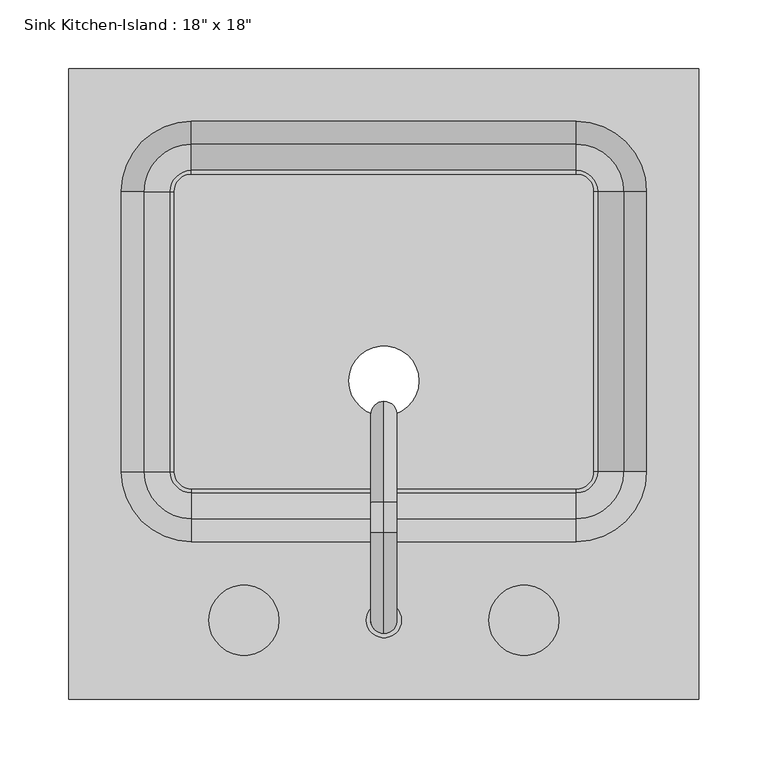
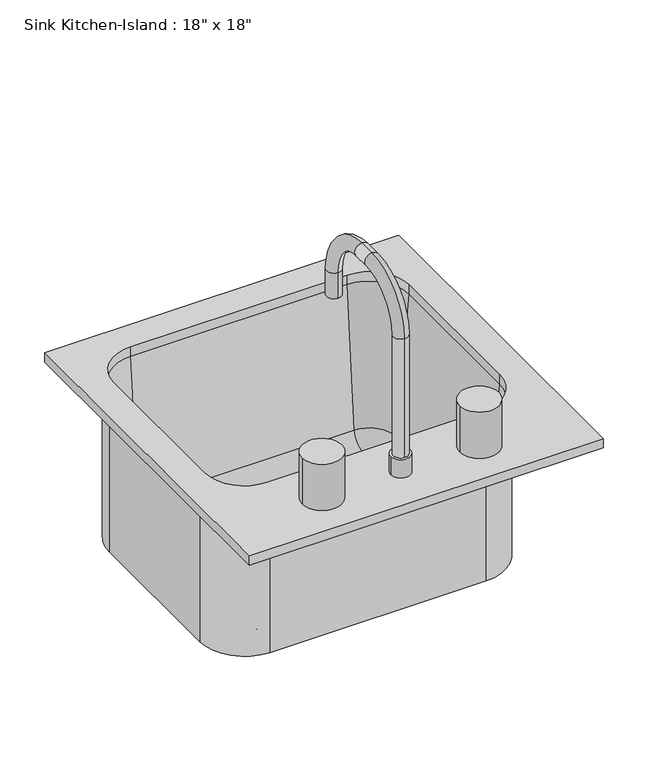
"""IFC4 building model written with IfcOpenShell, lengths in millimetres: flow terminal geometry."""

from ifc_helpers import new_model, si_unit, point, frame, frame_2d, origin, place, context, project, spatial, polyline, circle_curve, ellipse_curve, trimmed, segment, composite_curve, outline, extrude, source, transform, mapped, element, save
from ifc_brep_helpers import plane_surface, cylinder_surface, revolved_surface, advanced_brep


def flow_terminal_41332a36(model_context):
    return source(origin(), model_context, "Body", "SolidModel", [
        advanced_brep(
        [(244.2892406, -230.9454011, 927.1), (244.2892406, 226.2545989, 927.1), (-212.9107594, 226.2545989, 927.1), (-212.9107594, -230.9454011, 927.1), (155.3892406, -116.6454011, 927.1), (-124.0107594, -116.6454011, 927.1), (-174.8107594, -65.8454011, 927.1), (-174.8107594, 137.3545989, 927.1), (-124.0107594, 188.1545989, 927.1), (155.3892406, 188.1545989, 927.1), (206.1892406, 137.3545989, 927.1), (206.1892406, -65.8454011, 927.1), (244.2892406, -230.9454011, 914.4), (-212.9107594, -230.9454011, 914.4), (-212.9107594, 226.2545989, 914.4), (244.2892406, 226.2545989, 914.4), (212.5392406, -65.8454011, 914.4), (212.5392406, 137.3545989, 914.4), (155.3892406, 194.5045989, 914.4), (-124.0107594, 194.5045989, 914.4), (-181.1607594, 137.3545989, 914.4), (-181.1607594, -65.8454011, 914.4), (-124.0107594, -122.9954011, 914.4), (155.3892406, -122.9954011, 914.4), (206.1892406, -65.8454011, 914.4), (155.3892406, -116.6454011, 914.4), (206.1892406, 137.3545989, 914.4), (155.3892406, 188.1545989, 914.4), (-124.0107594, 188.1545989, 914.4), (-174.8107594, 137.3545989, 914.4), (-174.8107594, -65.8454011, 914.4), (-124.0107594, -116.6454011, 914.4), (212.5392406, -65.8454011, 698.5), (155.3892406, -122.9954011, 698.5), (155.3892406, -78.5454011, 698.5), (168.0892406, -65.8454011, 698.5), (155.3892406, -78.5454011, 708.025), (168.0892406, -65.8454011, 708.025), (155.3892406, -81.1338193, 708.025), (170.6776588, -65.8454011, 708.025), (155.3892406, -100.1113283, 725.4146831), (189.6551678, -65.8454011, 725.4146831), (212.5392406, 137.3545989, 698.5), (168.0892406, 137.3545989, 698.5), (168.0892406, 137.3545989, 708.025), (170.6776588, 137.3545989, 708.025), (189.6551678, 137.3545989, 725.4146831), (155.3892406, 194.5045989, 698.5), (155.3892406, 150.0545989, 698.5), (155.3892406, 150.0545989, 708.025), (155.3892406, 152.6430171, 708.025), (155.3892406, 171.6205261, 725.4146831), (-124.0107594, 194.5045989, 698.5), (-124.0107594, 150.0545989, 698.5), (-124.0107594, 150.0545989, 708.025), (-124.0107594, 152.6430171, 708.025), (-124.0107594, 171.6205261, 725.4146831), (-181.1607594, 137.3545989, 698.5), (-136.7107594, 137.3545989, 698.5), (-136.7107594, 137.3545989, 708.025), (-139.2991776, 137.3545989, 708.025), (-158.2766866, 137.3545989, 725.4146831), (-181.1607594, -65.8454011, 698.5), (-136.7107594, -65.8454011, 698.5), (-136.7107594, -65.8454011, 708.025), (-139.2991776, -65.8454011, 708.025), (-158.2766866, -65.8454011, 725.4146831), (-124.0107594, -122.9954011, 698.5), (-124.0107594, -78.5454011, 698.5), (-124.0107594, -78.5454011, 708.025), (-124.0107594, -81.1338193, 708.025), (-124.0107594, -100.1113283, 725.4146831)],
        [
            (0, 1),
            (1, 2),
            (2, 3),
            (3, 0),
            (4, 5),
            (5, 6, circle_curve(frame((-124.0107594, -65.8454011, 927.1), z_axis=(0.0, 0.0, -1.0), x_axis=(1.0, 0.0, 0.0)), 50.8)),
            (6, 7),
            (7, 8, circle_curve(frame((-124.0107594, 137.3545989, 927.1), z_axis=(0.0, 0.0, -1.0), x_axis=(1.0, 0.0, 0.0)), 50.8)),
            (8, 9),
            (9, 10, circle_curve(frame((155.3892406, 137.3545989, 927.1), z_axis=(0.0, 0.0, -1.0), x_axis=(1.0, 0.0, 0.0)), 50.8)),
            (10, 11),
            (11, 4, circle_curve(frame((155.3892406, -65.8454011, 927.1), z_axis=(0.0, 0.0, -1.0), x_axis=(1.0, 0.0, 0.0)), 50.8)),
            (12, 13),
            (13, 14),
            (14, 15),
            (15, 12),
            (16, 17),
            (17, 18, circle_curve(frame((155.3892406, 137.3545989, 914.4), z_axis=(0.0, 0.0, 1.0), x_axis=(1.0, 0.0, 0.0)), 57.15)),
            (18, 19),
            (19, 20, circle_curve(frame((-124.0107594, 137.3545989, 914.4), z_axis=(0.0, 0.0, 1.0), x_axis=(0.0, 1.0, 0.0)), 57.15)),
            (20, 21),
            (21, 22, circle_curve(frame((-124.0107594, -65.8454011, 914.4), z_axis=(0.0, 0.0, 1.0), x_axis=(-1.0, 0.0, 0.0)), 57.15)),
            (22, 23),
            (23, 16, circle_curve(frame((155.3892406, -65.8454011, 914.4), z_axis=(0.0, 0.0, 1.0), x_axis=(0.0, -1.0, 0.0)), 57.15)),
            (3, 13),
            (12, 0),
            (2, 14),
            (1, 15),
            (11, 24),
            (24, 25, circle_curve(frame((155.3892406, -65.8454011, 914.4), z_axis=(0.0, 0.0, -1.0), x_axis=(1.0, 0.0, 0.0)), 50.8)),
            (25, 4),
            (10, 26),
            (26, 24),
            (9, 27),
            (27, 26, circle_curve(frame((155.3892406, 137.3545989, 914.4), z_axis=(0.0, 0.0, -1.0), x_axis=(1.0, 0.0, 0.0)), 50.8)),
            (8, 28),
            (28, 27),
            (7, 29),
            (29, 28, circle_curve(frame((-124.0107594, 137.3545989, 914.4), z_axis=(0.0, 0.0, -1.0), x_axis=(1.0, 0.0, 0.0)), 50.8)),
            (6, 30),
            (30, 29),
            (5, 31),
            (31, 30, circle_curve(frame((-124.0107594, -65.8454011, 914.4), z_axis=(0.0, 0.0, -1.0), x_axis=(1.0, 0.0, 0.0)), 50.8)),
            (25, 31),
            (32, 16),
            (23, 33),
            (33, 32, circle_curve(frame((155.3892406, -65.8454011, 698.5), z_axis=(0.0, 0.0, 1.0), x_axis=(0.0, -1.0, 0.0)), 57.15)),
            (33, 34),
            (34, 35, circle_curve(frame((155.3892406, -65.8454011, 698.5), z_axis=(0.0, 0.0, 1.0), x_axis=(0.0, -1.0, 0.0)), 12.7)),
            (35, 32),
            (34, 36),
            (36, 37, circle_curve(frame((155.3892406, -65.8454011, 708.025), z_axis=(0.0, 0.0, 1.0), x_axis=(0.0, -1.0, 0.0)), 12.7)),
            (37, 35),
            (36, 38),
            (38, 39, circle_curve(frame((155.3892406, -65.8454011, 708.025), z_axis=(0.0, 0.0, 1.0), x_axis=(0.0, -1.0, 0.0)), 15.2884182)),
            (39, 37),
            (38, 40, circle_curve(frame((155.3892406, -81.1338193, 727.075), z_axis=(-1.0, 0.0, 0.0), x_axis=(0.0, -1.0, 0.0)), 19.05)),
            (40, 41, circle_curve(frame((155.3892406, -65.8454011, 725.4146831), z_axis=(0.0, 0.0, 1.0), x_axis=(0.0, -1.0, 0.0)), 34.2659272)),
            (41, 39, circle_curve(frame((170.6776588, -65.8454011, 727.075), z_axis=(0.0, 1.0, 0.0), x_axis=(1.0, 0.0, 0.0)), 19.05)),
            (40, 25),
            (24, 41),
            (32, 42),
            (42, 17),
            (35, 43),
            (43, 42),
            (37, 44),
            (44, 43),
            (39, 45),
            (45, 44),
            (41, 46),
            (46, 45, circle_curve(frame((170.6776588, 137.3545989, 727.075), z_axis=(0.0, 1.0, 0.0), x_axis=(1.0, 0.0, 0.0)), 19.05)),
            (26, 46),
            (42, 47, circle_curve(frame((155.3892406, 137.3545989, 698.5), z_axis=(0.0, 0.0, 1.0), x_axis=(1.0, 0.0, 0.0)), 57.15)),
            (47, 18),
            (43, 48, circle_curve(frame((155.3892406, 137.3545989, 698.5), z_axis=(0.0, 0.0, 1.0), x_axis=(1.0, 0.0, 0.0)), 12.7)),
            (48, 47),
            (44, 49, circle_curve(frame((155.3892406, 137.3545989, 708.025), z_axis=(0.0, 0.0, 1.0), x_axis=(1.0, 0.0, 0.0)), 12.7)),
            (49, 48),
            (45, 50, circle_curve(frame((155.3892406, 137.3545989, 708.025), z_axis=(0.0, 0.0, 1.0), x_axis=(1.0, 0.0, 0.0)), 15.2884182)),
            (50, 49),
            (46, 51, circle_curve(frame((155.3892406, 137.3545989, 725.4146831), z_axis=(0.0, 0.0, 1.0), x_axis=(1.0, 0.0, 0.0)), 34.2659272)),
            (51, 50, circle_curve(frame((155.3892406, 152.6430171, 727.075), z_axis=(-1.0, 0.0, 0.0), x_axis=(0.0, 1.0, 0.0)), 19.05)),
            (27, 51),
            (47, 52),
            (52, 19),
            (48, 53),
            (53, 52),
            (49, 54),
            (54, 53),
            (50, 55),
            (55, 54),
            (51, 56),
            (56, 55, circle_curve(frame((-124.0107594, 152.6430171, 727.075), z_axis=(-1.0, 0.0, 0.0), x_axis=(0.0, 1.0, 0.0)), 19.05)),
            (28, 56),
            (52, 57, circle_curve(frame((-124.0107594, 137.3545989, 698.5), z_axis=(0.0, 0.0, 1.0), x_axis=(0.0, 1.0, 0.0)), 57.15)),
            (57, 20),
            (53, 58, circle_curve(frame((-124.0107594, 137.3545989, 698.5), z_axis=(0.0, 0.0, 1.0), x_axis=(0.0, 1.0, 0.0)), 12.7)),
            (58, 57),
            (54, 59, circle_curve(frame((-124.0107594, 137.3545989, 708.025), z_axis=(0.0, 0.0, 1.0), x_axis=(0.0, 1.0, 0.0)), 12.7)),
            (59, 58),
            (55, 60, circle_curve(frame((-124.0107594, 137.3545989, 708.025), z_axis=(0.0, 0.0, 1.0), x_axis=(0.0, 1.0, 0.0)), 15.2884182)),
            (60, 59),
            (56, 61, circle_curve(frame((-124.0107594, 137.3545989, 725.4146831), z_axis=(0.0, 0.0, 1.0), x_axis=(0.0, 1.0, 0.0)), 34.2659272)),
            (61, 60, circle_curve(frame((-139.2991776, 137.3545989, 727.075), z_axis=(0.0, -1.0, 0.0), x_axis=(-1.0, 0.0, 0.0)), 19.05)),
            (29, 61),
            (57, 62),
            (62, 21),
            (58, 63),
            (63, 62),
            (59, 64),
            (64, 63),
            (60, 65),
            (65, 64),
            (61, 66),
            (66, 65, circle_curve(frame((-139.2991776, -65.8454011, 727.075), z_axis=(0.0, -1.0, 0.0), x_axis=(-1.0, 0.0, 0.0)), 19.05)),
            (30, 66),
            (62, 67, circle_curve(frame((-124.0107594, -65.8454011, 698.5), z_axis=(0.0, 0.0, 1.0), x_axis=(-1.0, 0.0, 0.0)), 57.15)),
            (67, 22),
            (63, 68, circle_curve(frame((-124.0107594, -65.8454011, 698.5), z_axis=(0.0, 0.0, 1.0), x_axis=(-1.0, 0.0, 0.0)), 12.7)),
            (68, 67),
            (64, 69, circle_curve(frame((-124.0107594, -65.8454011, 708.025), z_axis=(0.0, 0.0, 1.0), x_axis=(-1.0, 0.0, 0.0)), 12.7)),
            (69, 68),
            (65, 70, circle_curve(frame((-124.0107594, -65.8454011, 708.025), z_axis=(0.0, 0.0, 1.0), x_axis=(-1.0, 0.0, 0.0)), 15.2884182)),
            (70, 69),
            (66, 71, circle_curve(frame((-124.0107594, -65.8454011, 725.4146831), z_axis=(0.0, 0.0, 1.0), x_axis=(-1.0, 0.0, 0.0)), 34.2659272)),
            (71, 70, circle_curve(frame((-124.0107594, -81.1338193, 727.075), z_axis=(1.0, 0.0, 0.0), x_axis=(0.0, -1.0, 0.0)), 19.05)),
            (31, 71),
            (67, 33),
            (68, 34),
            (69, 36),
            (70, 38),
            (71, 40),
        ],
        [
            plane_surface(frame((-212.9107594, -230.9454011, 927.1), z_axis=(0.0, 0.0, 1.0), x_axis=(-1.0, 0.0, 0.0))),
            plane_surface(frame((-212.9107594, -230.9454011, 914.4), z_axis=(0.0, 0.0, -1.0), x_axis=(1.0, 0.0, 0.0))),
            plane_surface(frame((244.2892406, -230.9454011, 927.1), z_axis=(0.0, -1.0, 0.0), x_axis=(0.0, 0.0, -1.0))),
            plane_surface(frame((-212.9107594, -230.9454011, 927.1), z_axis=(-1.0, 0.0, 0.0), x_axis=(0.0, 0.0, -1.0))),
            plane_surface(frame((-212.9107594, 226.2545989, 927.1), z_axis=(0.0, 1.0, 0.0), x_axis=(0.0, 0.0, -1.0))),
            plane_surface(frame((244.2892406, 226.2545989, 927.1), z_axis=(1.0, 0.0, 0.0), x_axis=(0.0, 0.0, -1.0))),
            revolved_surface(polyline([(206.1892406, -65.8454011, 914.4), (206.1892406, -65.8454011, 927.1)]), (155.3892406, -65.8454011, 0.0), (0.0, 0.0, -1.0)),
            plane_surface(frame((206.1892406, -65.8454011, 927.1), z_axis=(-1.0, 0.0, 0.0), x_axis=(0.0, 0.0, -1.0))),
            revolved_surface(polyline([(206.1892406, 137.3545989, 914.4), (206.1892406, 137.3545989, 927.1)]), (155.3892406, 137.3545989, 0.0), (0.0, 0.0, -1.0)),
            plane_surface(frame((155.3892406, 188.1545989, 927.1), z_axis=(0.0, -1.0, 0.0), x_axis=(0.0, 0.0, -1.0))),
            revolved_surface(polyline([(-73.2107594, 137.3545989, 914.4), (-73.2107594, 137.3545989, 927.1)]), (-124.0107594, 137.3545989, 0.0), (0.0, 0.0, -1.0)),
            plane_surface(frame((-174.8107594, 137.3545989, 927.1), z_axis=(1.0, 0.0, 0.0), x_axis=(0.0, 0.0, -1.0))),
            revolved_surface(polyline([(-73.2107594, -65.8454011, 914.4), (-73.2107594, -65.8454011, 927.1)]), (-124.0107594, -65.8454011, 0.0), (0.0, 0.0, -1.0)),
            plane_surface(frame((-124.0107594, -116.6454011, 927.1), z_axis=(0.0, 1.0, 0.0), x_axis=(0.0, 0.0, -1.0))),
            cylinder_surface(frame((155.3892406, -65.8454011, 0.0), z_axis=(0.0, 0.0, -1.0), x_axis=(0.0, -1.0, 0.0)), 57.15),
            plane_surface(frame((155.3892406, -65.8454011, 698.5), z_axis=(0.0, 0.0, -1.0), x_axis=(0.0, -1.0, 0.0))),
            revolved_surface(polyline([(155.3892406, -78.5454011, 698.5), (155.3892406, -78.5454011, 708.025)]), (155.3892406, -65.8454011, 0.0), (0.0, 0.0, -1.0)),
            plane_surface(frame((155.3892406, -65.8454011, 708.025), z_axis=(0.0, 0.0, 1.0), x_axis=(0.0, -1.0, 0.0))),
            revolved_surface(trimmed(ellipse_curve(frame((155.3892406, -81.1338193, 727.075), z_axis=(-1.0, 0.0, 0.0), x_axis=(0.0, -1.0, 0.0)), 19.05, 19.05), [point((155.3892406, -81.1338193, 708.025))], [point((155.3892406, -100.1113283, 725.4146831))], True, "CARTESIAN"), (155.3892406, -65.8454011, 0.0), (0.0, 0.0, -1.0)),
            revolved_surface(polyline([(155.3892406, -100.1113283, 725.4146831), (155.3892406, -116.6454011, 914.4)]), (155.3892406, -65.8454011, 0.0), (0.0, 0.0, -1.0)),
            plane_surface(frame((212.5392406, -65.8454011, 914.4), z_axis=(1.0, 0.0, 0.0), x_axis=(0.0, 1.0, 0.0))),
            plane_surface(frame((212.5392406, -65.8454011, 698.5), z_axis=(0.0, 0.0, -1.0), x_axis=(0.0, 1.0, 0.0))),
            plane_surface(frame((168.0892406, -65.8454011, 698.5), z_axis=(-1.0, 0.0, 0.0), x_axis=(0.0, 1.0, 0.0))),
            plane_surface(frame((168.0892406, -65.8454011, 708.025), z_axis=(0.0, 0.0, 1.0), x_axis=(0.0, 1.0, 0.0))),
            revolved_surface(polyline([(189.7276588, 137.3545989, 727.075), (189.7276588, -65.8454011, 727.075)]), (170.6776588, -65.8454011, 727.075), (0.0, 1.0, 0.0)),
            plane_surface(frame((189.6551678, -65.8454011, 725.4146831), z_axis=(-0.9961946980917443, 0.0, 0.08715574274767254), x_axis=(0.0, 1.0, 0.0))),
            cylinder_surface(frame((155.3892406, 137.3545989, 0.0), z_axis=(0.0, 0.0, -1.0), x_axis=(1.0, 0.0, 0.0)), 57.15),
            plane_surface(frame((155.3892406, 137.3545989, 698.5), z_axis=(0.0, 0.0, -1.0), x_axis=(1.0, 0.0, 0.0))),
            revolved_surface(polyline([(168.08924059999998, 137.3545989, 698.5), (168.08924059999998, 137.3545989, 708.025)]), (155.3892406, 137.3545989, 0.0), (0.0, 0.0, -1.0)),
            plane_surface(frame((155.3892406, 137.3545989, 708.025), z_axis=(0.0, 0.0, 1.0), x_axis=(1.0, 0.0, 0.0))),
            revolved_surface(trimmed(ellipse_curve(frame((170.6776588, 137.3545989, 727.075), z_axis=(0.0, -1.0, 0.0), x_axis=(1.0, 0.0, 0.0)), 19.05, 19.05), [point((170.6776588, 137.3545989, 708.025))], [point((189.6551678, 137.3545989, 725.4146831))], True, "CARTESIAN"), (155.3892406, 137.3545989, 0.0), (0.0, 0.0, -1.0)),
            revolved_surface(polyline([(189.6551678, 137.3545989, 725.4146831), (206.1892406, 137.3545989, 914.4)]), (155.3892406, 137.3545989, 0.0), (0.0, 0.0, -1.0)),
            plane_surface(frame((155.3892406, 194.5045989, 914.4), z_axis=(0.0, 1.0, 0.0), x_axis=(-1.0, 0.0, 0.0))),
            plane_surface(frame((155.3892406, 194.5045989, 698.5), z_axis=(0.0, 0.0, -1.0), x_axis=(-1.0, 0.0, 0.0))),
            plane_surface(frame((155.3892406, 150.0545989, 698.5), z_axis=(0.0, -1.0, 0.0), x_axis=(-1.0, 0.0, 0.0))),
            plane_surface(frame((155.3892406, 150.0545989, 708.025), z_axis=(0.0, 0.0, 1.0), x_axis=(-1.0, 0.0, 0.0))),
            revolved_surface(polyline([(-124.01075939999998, 171.69301710000002, 727.075), (155.3892406, 171.69301710000002, 727.075)]), (155.3892406, 152.6430171, 727.075), (-1.0, 0.0, 0.0)),
            plane_surface(frame((155.3892406, 171.6205261, 725.4146831), z_axis=(0.0, -0.9961946980917443, 0.08715574274767254), x_axis=(-1.0, 0.0, 0.0))),
            cylinder_surface(frame((-124.0107594, 137.3545989, 0.0), z_axis=(0.0, 0.0, -1.0), x_axis=(0.0, 1.0, 0.0)), 57.15),
            plane_surface(frame((-124.0107594, 137.3545989, 698.5), z_axis=(0.0, 0.0, -1.0), x_axis=(0.0, 1.0, 0.0))),
            revolved_surface(polyline([(-124.0107594, 150.0545989, 698.5), (-124.0107594, 150.0545989, 708.025)]), (-124.0107594, 137.3545989, 0.0), (0.0, 0.0, -1.0)),
            plane_surface(frame((-124.0107594, 137.3545989, 708.025), z_axis=(0.0, 0.0, 1.0), x_axis=(0.0, 1.0, 0.0))),
            revolved_surface(trimmed(ellipse_curve(frame((-124.0107594, 152.6430171, 727.075), z_axis=(1.0, 0.0, 0.0), x_axis=(0.0, 1.0, 0.0)), 19.05, 19.05), [point((-124.0107594, 152.6430171, 708.025))], [point((-124.0107594, 171.6205261, 725.4146831))], True, "CARTESIAN"), (-124.0107594, 137.3545989, 0.0), (0.0, 0.0, -1.0)),
            revolved_surface(polyline([(-124.0107594, 171.6205261, 725.4146831), (-124.0107594, 188.1545989, 914.4)]), (-124.0107594, 137.3545989, 0.0), (0.0, 0.0, -1.0)),
            plane_surface(frame((-181.1607594, 137.3545989, 914.4), z_axis=(-1.0, 0.0, 0.0), x_axis=(0.0, -1.0, 0.0))),
            plane_surface(frame((-181.1607594, 137.3545989, 698.5), z_axis=(0.0, 0.0, -1.0), x_axis=(0.0, -1.0, 0.0))),
            plane_surface(frame((-136.7107594, 137.3545989, 698.5), z_axis=(1.0, 0.0, 0.0), x_axis=(0.0, -1.0, 0.0))),
            plane_surface(frame((-136.7107594, 137.3545989, 708.025), z_axis=(0.0, 0.0, 1.0), x_axis=(0.0, -1.0, 0.0))),
            revolved_surface(polyline([(-158.34917760000002, -65.8454011, 727.075), (-158.34917760000002, 137.3545989, 727.075)]), (-139.2991776, 137.3545989, 727.075), (0.0, -1.0, 0.0)),
            plane_surface(frame((-158.2766866, 137.3545989, 725.4146831), z_axis=(0.9961946980917443, 0.0, 0.08715574274767254), x_axis=(0.0, -1.0, 0.0))),
            cylinder_surface(frame((-124.0107594, -65.8454011, 0.0), z_axis=(0.0, 0.0, -1.0), x_axis=(-1.0, 0.0, 0.0)), 57.15),
            plane_surface(frame((-124.0107594, -65.8454011, 698.5), z_axis=(0.0, 0.0, -1.0), x_axis=(-1.0, 0.0, 0.0))),
            revolved_surface(polyline([(-136.7107594, -65.8454011, 698.5), (-136.7107594, -65.8454011, 708.025)]), (-124.0107594, -65.8454011, 0.0), (0.0, 0.0, -1.0)),
            plane_surface(frame((-124.0107594, -65.8454011, 708.025), z_axis=(0.0, 0.0, 1.0), x_axis=(-1.0, 0.0, 0.0))),
            revolved_surface(trimmed(ellipse_curve(frame((-139.2991776, -65.8454011, 727.075), z_axis=(0.0, 1.0, 0.0), x_axis=(-1.0, 0.0, 0.0)), 19.05, 19.05), [point((-139.2991776, -65.8454011, 708.025))], [point((-158.2766866, -65.8454011, 725.4146831))], True, "CARTESIAN"), (-124.0107594, -65.8454011, 0.0), (0.0, 0.0, -1.0)),
            revolved_surface(polyline([(-158.2766866, -65.8454011, 725.4146831), (-174.8107594, -65.8454011, 914.4)]), (-124.0107594, -65.8454011, 0.0), (0.0, 0.0, -1.0)),
            plane_surface(frame((-124.0107594, -122.9954011, 914.4), z_axis=(0.0, -1.0, 0.0), x_axis=(1.0, 0.0, 0.0))),
            plane_surface(frame((-124.0107594, -122.9954011, 698.5), z_axis=(0.0, 0.0, -1.0), x_axis=(1.0, 0.0, 0.0))),
            plane_surface(frame((-124.0107594, -78.5454011, 698.5), z_axis=(0.0, 1.0, 0.0), x_axis=(1.0, 0.0, 0.0))),
            plane_surface(frame((-124.0107594, -78.5454011, 708.025), z_axis=(0.0, 0.0, 1.0), x_axis=(1.0, 0.0, 0.0))),
            revolved_surface(polyline([(155.3892406, -100.1838193, 727.075), (-124.0107594, -100.1838193, 727.075)]), (-124.0107594, -81.1338193, 727.075), (1.0, 0.0, 0.0)),
            plane_surface(frame((-124.0107594, -100.1113283, 725.4146831), z_axis=(0.0, 0.9961946980917443, 0.08715574274767254), x_axis=(1.0, 0.0, 0.0))),
        ],
        [
            (0, [[1, 2, 3, 4], [5, 6, 7, 8, 9, 10, 11, 12]]),
            (1, [[13, 14, 15, 16], [17, 18, 19, 20, 21, 22, 23, 24]]),
            (2, [[25, -13, 26, -4]]),
            (3, [[27, -14, -25, -3]]),
            (4, [[28, -15, -27, -2]]),
            (5, [[-26, -16, -28, -1]]),
            (6, [[29, 30, 31, -12]]),
            (7, [[32, 33, -29, -11]]),
            (8, [[34, 35, -32, -10]]),
            (9, [[36, 37, -34, -9]]),
            (10, [[38, 39, -36, -8]]),
            (11, [[40, 41, -38, -7]]),
            (12, [[42, 43, -40, -6]]),
            (13, [[-31, 44, -42, -5]]),
            (14, [[45, -24, 46, 47]]),
            (15, [[48, 49, 50, -47]]),
            (16, [[51, 52, 53, -49]]),
            (17, [[54, 55, 56, -52]]),
            (18, [[57, 58, 59, -55]]),
            (19, [[60, -30, 61, -58]]),
            (20, [[62, 63, -17, -45]]),
            (21, [[64, 65, -62, -50]]),
            (22, [[66, 67, -64, -53]]),
            (23, [[68, 69, -66, -56]]),
            (24, [[70, 71, -68, -59]]),
            (25, [[-33, 72, -70, -61]]),
            (26, [[73, 74, -18, -63]]),
            (27, [[75, 76, -73, -65]]),
            (28, [[77, 78, -75, -67]]),
            (29, [[79, 80, -77, -69]]),
            (30, [[81, 82, -79, -71]]),
            (31, [[-35, 83, -81, -72]]),
            (32, [[84, 85, -19, -74]]),
            (33, [[86, 87, -84, -76]]),
            (34, [[88, 89, -86, -78]]),
            (35, [[90, 91, -88, -80]]),
            (36, [[92, 93, -90, -82]]),
            (37, [[-37, 94, -92, -83]]),
            (38, [[95, 96, -20, -85]]),
            (39, [[97, 98, -95, -87]]),
            (40, [[99, 100, -97, -89]]),
            (41, [[101, 102, -99, -91]]),
            (42, [[103, 104, -101, -93]]),
            (43, [[-39, 105, -103, -94]]),
            (44, [[106, 107, -21, -96]]),
            (45, [[108, 109, -106, -98]]),
            (46, [[110, 111, -108, -100]]),
            (47, [[112, 113, -110, -102]]),
            (48, [[114, 115, -112, -104]]),
            (49, [[-41, 116, -114, -105]]),
            (50, [[117, 118, -22, -107]]),
            (51, [[119, 120, -117, -109]]),
            (52, [[121, 122, -119, -111]]),
            (53, [[123, 124, -121, -113]]),
            (54, [[125, 126, -123, -115]]),
            (55, [[-43, 127, -125, -116]]),
            (56, [[-23, -118, 128, -46]]),
            (57, [[-128, -120, 129, -48]]),
            (58, [[-129, -122, 130, -51]]),
            (59, [[-130, -124, 131, -54]]),
            (60, [[-131, -126, 132, -57]]),
            (61, [[-132, -127, -44, -60]]),
        ],
    ),
        advanced_brep(
        [(2.9892406, -173.7954011, 927.1), (28.3892406, -173.7954011, 927.1), (15.6892406, -183.3204011, 1114.425), (15.6892406, -183.3204011, 952.5), (15.6892406, -164.2704011, 952.5), (15.6892406, -164.2704011, 1114.425), (15.6892406, -110.2954011, 1168.4), (15.6892406, -110.2954011, 1187.45), (15.6892406, -88.0704011, 1168.4), (15.6892406, -88.0704011, 1187.45), (15.6892406, -34.0954011, 1114.425), (15.6892406, -15.0454011, 1114.425), (15.6892406, -15.0454011, 1079.5), (15.6892406, -34.0954011, 1079.5), (2.9892406, -173.7954011, 952.5), (28.3892406, -173.7954011, 952.5)],
        [
            (0, 1, circle_curve(frame((15.6892406, -173.7954011, 927.1), z_axis=(0.0, 0.0, -1.0), x_axis=(1.0, 0.0, 0.0)), 12.7)),
            (1, 0, circle_curve(frame((15.6892406, -173.7954011, 927.1), z_axis=(0.0, 0.0, -1.0), x_axis=(1.0, 0.0, 0.0)), 12.7)),
            (2, 3),
            (3, 4, circle_curve(frame((15.6892406, -173.7954011, 952.5), z_axis=(0.0, 0.0, 1.0), x_axis=(0.0, 1.0, 0.0)), 9.525)),
            (4, 5),
            (5, 2, circle_curve(frame((15.6892406, -173.7954011, 1114.425), z_axis=(0.0, 0.0, -1.0), x_axis=(0.0, 1.0, 0.0)), 9.525)),
            (4, 3, circle_curve(frame((15.6892406, -173.7954011, 952.5), z_axis=(0.0, 0.0, 1.0), x_axis=(0.0, 1.0, 0.0)), 9.525)),
            (2, 5, circle_curve(frame((15.6892406, -173.7954011, 1114.425), z_axis=(0.0, 0.0, -1.0), x_axis=(0.0, 1.0, 0.0)), 9.525)),
            (5, 6, circle_curve(frame((15.6892406, -110.2954011, 1114.425), z_axis=(-1.0, 0.0, 0.0), x_axis=(0.0, -1.0, 0.0)), 53.975)),
            (6, 7, circle_curve(frame((15.6892406, -110.2954011, 1177.925), z_axis=(0.0, -1.0, 0.0), x_axis=(0.0, 0.0, -1.0)), 9.525)),
            (7, 2, circle_curve(frame((15.6892406, -110.2954011, 1114.425), z_axis=(1.0, 0.0, 0.0), x_axis=(0.0, -1.0, 0.0)), 73.025)),
            (7, 6, circle_curve(frame((15.6892406, -110.2954011, 1177.925), z_axis=(0.0, -1.0, 0.0), x_axis=(0.0, 0.0, -1.0)), 9.525)),
            (6, 8),
            (8, 9, circle_curve(frame((15.6892406, -88.0704011, 1177.925), z_axis=(0.0, -1.0, 0.0), x_axis=(0.0, 0.0, -1.0)), 9.525)),
            (9, 7),
            (9, 8, circle_curve(frame((15.6892406, -88.0704011, 1177.925), z_axis=(0.0, -1.0, 0.0), x_axis=(0.0, 0.0, -1.0)), 9.525)),
            (8, 10, circle_curve(frame((15.6892406, -88.0704011, 1114.425), z_axis=(-1.0, 0.0, 0.0), x_axis=(0.0, 0.0, 1.0)), 53.975)),
            (10, 11, circle_curve(frame((15.6892406, -24.5704011, 1114.425), z_axis=(0.0, 0.0, 1.0), x_axis=(0.0, -1.0, 0.0)), 9.525)),
            (11, 9, circle_curve(frame((15.6892406, -88.0704011, 1114.425), z_axis=(1.0, 0.0, 0.0), x_axis=(0.0, 0.0, 1.0)), 73.025)),
            (11, 10, circle_curve(frame((15.6892406, -24.5704011, 1114.425), z_axis=(0.0, 0.0, 1.0), x_axis=(0.0, -1.0, 0.0)), 9.525)),
            (12, 13, circle_curve(frame((15.6892406, -24.5704011, 1079.5), z_axis=(0.0, 0.0, -1.0), x_axis=(0.0, -1.0, 0.0)), 9.525)),
            (13, 12, circle_curve(frame((15.6892406, -24.5704011, 1079.5), z_axis=(0.0, 0.0, -1.0), x_axis=(0.0, -1.0, 0.0)), 9.525)),
            (10, 13),
            (12, 11),
            (14, 15, circle_curve(frame((15.6892406, -173.7954011, 952.5), z_axis=(0.0, 0.0, 1.0), x_axis=(1.0, 0.0, 0.0)), 12.7)),
            (15, 14, circle_curve(frame((15.6892406, -173.7954011, 952.5), z_axis=(0.0, 0.0, 1.0), x_axis=(1.0, 0.0, 0.0)), 12.7)),
            (15, 1),
            (0, 14),
        ],
        [
            plane_surface(frame((15.6892406, -164.2704011, 927.1), z_axis=(0.0, 0.0, -1.0), x_axis=(1.0, 0.0, 0.0))),
            cylinder_surface(frame((15.6892406, -173.7954011, 927.1), z_axis=(0.0, 0.0, -1.0), x_axis=(0.0, 1.0, 0.0)), 9.525),
            revolved_surface(trimmed(ellipse_curve(frame((15.6892406, -173.7954011, 1114.425), z_axis=(0.0, 0.0, 1.0), x_axis=(0.0, 1.0, 0.0)), 9.525, 9.525), [point((15.6892406, -183.3204011, 1114.425))], [point((15.6892406, -164.2704011, 1114.425))], True, "CARTESIAN"), (15.6892406, -110.2954011, 1114.425), (1.0, 0.0, 0.0)),
            revolved_surface(trimmed(ellipse_curve(frame((15.6892406, -173.7954011, 1114.425), z_axis=(0.0, 0.0, 1.0), x_axis=(0.0, 1.0, 0.0)), 9.525, 9.525), [point((15.6892406, -164.2704011, 1114.425))], [point((15.6892406, -183.3204011, 1114.425))], True, "CARTESIAN"), (15.6892406, -110.2954011, 1114.425), (1.0, 0.0, 0.0)),
            cylinder_surface(frame((15.6892406, -110.2954011, 1177.925), z_axis=(0.0, -1.0, 0.0), x_axis=(0.0, 0.0, -1.0)), 9.525),
            revolved_surface(trimmed(ellipse_curve(frame((15.6892406, -88.0704011, 1177.925), z_axis=(0.0, 1.0, 0.0), x_axis=(0.0, 0.0, -1.0)), 9.525, 9.525), [point((15.6892406, -88.0704011, 1187.45))], [point((15.6892406, -88.0704011, 1168.4))], True, "CARTESIAN"), (15.6892406, -88.0704011, 1114.425), (1.0, 0.0, 0.0)),
            revolved_surface(trimmed(ellipse_curve(frame((15.6892406, -88.0704011, 1177.925), z_axis=(0.0, 1.0, 0.0), x_axis=(0.0, 0.0, -1.0)), 9.525, 9.525), [point((15.6892406, -88.0704011, 1168.4))], [point((15.6892406, -88.0704011, 1187.45))], True, "CARTESIAN"), (15.6892406, -88.0704011, 1114.425), (1.0, 0.0, 0.0)),
            plane_surface(frame((15.6892406, -15.0454011, 1079.5), z_axis=(0.0, 0.0, -1.0), x_axis=(-1.0, 0.0, 0.0))),
            cylinder_surface(frame((15.6892406, -24.5704011, 1114.425), z_axis=(0.0, 0.0, 1.0), x_axis=(0.0, -1.0, 0.0)), 9.525),
            plane_surface(frame((28.3892406, -173.7954011, 952.5), z_axis=(0.0, 0.0, 1.0), x_axis=(0.0, -1.0, 0.0))),
            cylinder_surface(frame((15.6892406, -173.7954011, 927.1), z_axis=(0.0, 0.0, 1.0), x_axis=(1.0, 0.0, 0.0)), 12.7),
        ],
        [
            (0, [[1, 2]]),
            (1, [[3, 4, 5, 6]]),
            (1, [[-5, 7, -3, 8]]),
            (2, [[9, 10, 11, -6]]),
            (3, [[-11, 12, -9, -8]]),
            (4, [[13, 14, 15, -10]]),
            (4, [[-15, 16, -13, -12]]),
            (5, [[17, 18, 19, -14]]),
            (6, [[-19, 20, -17, -16]]),
            (7, [[21, 22]]),
            (8, [[23, -21, 24, -18]]),
            (8, [[-24, -22, -23, -20]]),
            (9, [[25, 26], [-7, -4]]),
            (10, [[27, -1, 28, -26]]),
            (10, [[-28, -2, -27, -25]]),
        ],
    ),
        extrude(outline(composite_curve([segment(trimmed(circle_curve(frame_2d((-85.9107594, -173.7954011)), 25.4), [point((-111.3107594, -173.7954011))], [point((-60.5107594, -173.7954011))], False, "CARTESIAN"), True, "CONTINUOUS"), segment(trimmed(circle_curve(frame_2d((-85.9107594, -173.7954011)), 25.4), [point((-60.5107594, -173.7954011))], [point((-111.3107594, -173.7954011))], False, "CARTESIAN"), True, "CONTINUOUS")], self_intersect=False)), frame((0.0, 0.0, 927.1), z_axis=(0.0, 0.0, 1.0), x_axis=(1.0, 0.0, 0.0)), (0.0, 0.0, 1.0), 63.5),
        extrude(outline(composite_curve([segment(trimmed(circle_curve(frame_2d((117.2892406, -173.7954011)), 25.4), [point((91.8892406, -173.7954011))], [point((142.6892406, -173.7954011))], False, "CARTESIAN"), True, "CONTINUOUS"), segment(trimmed(circle_curve(frame_2d((117.2892406, -173.7954011)), 25.4), [point((142.6892406, -173.7954011))], [point((91.8892406, -173.7954011))], False, "CARTESIAN"), True, "CONTINUOUS")], self_intersect=False)), frame((0.0, 0.0, 927.1), z_axis=(0.0, 0.0, 1.0), x_axis=(1.0, 0.0, 0.0)), (0.0, 0.0, 1.0), 63.5),
        extrude(outline(composite_curve([segment(polyline([(155.3892406, -78.5454011), (-124.0107594, -78.5454011)]), True, "CONTINUOUS"), segment(trimmed(circle_curve(frame_2d((-124.0107594, -65.8454011)), 12.7), [point((-124.0107594, -78.5454011))], [point((-136.7107594, -65.8454011))], False, "CARTESIAN"), True, "CONTINUOUS"), segment(polyline([(-136.7107594, -65.8454011), (-136.7107594, 137.3545989)]), True, "CONTINUOUS"), segment(trimmed(circle_curve(frame_2d((-124.0107594, 137.3545989)), 12.7), [point((-136.7107594, 137.3545989))], [point((-124.0107594, 150.0545989))], False, "CARTESIAN"), True, "CONTINUOUS"), segment(polyline([(-124.0107594, 150.0545989), (155.3892406, 150.0545989)]), True, "CONTINUOUS"), segment(trimmed(circle_curve(frame_2d((155.3892406, 137.3545989)), 12.7), [point((155.3892406, 150.0545989))], [point((168.0892406, 137.3545989))], False, "CARTESIAN"), True, "CONTINUOUS"), segment(polyline([(168.0892406, 137.3545989), (168.0892406, -65.8454011)]), True, "CONTINUOUS"), segment(trimmed(circle_curve(frame_2d((155.3892406, -65.8454011)), 12.7), [point((168.0892406, -65.8454011))], [point((155.3892406, -78.5454011))], False, "CARTESIAN"), True, "CONTINUOUS")], self_intersect=False), holes=[composite_curve([segment(trimmed(circle_curve(frame_2d((15.6892406, 0.0)), 25.4), [point((-9.7107594, 0.0))], [point((41.0892406, 0.0))], True, "CARTESIAN"), True, "CONTINUOUS"), segment(trimmed(circle_curve(frame_2d((15.6892406, 0.0)), 25.4), [point((41.0892406, 0.0))], [point((-9.7107594, 0.0))], True, "CARTESIAN"), True, "CONTINUOUS")], self_intersect=False)]), frame((0.0, 0.0, 698.5), z_axis=(0.0, 0.0, 1.0), x_axis=(1.0, 0.0, 0.0)), (0.0, 0.0, 1.0), 9.525),
    ])


if __name__ == "__main__":
    model = new_model("IFC4")
    model_context = context("Model", 3, world=origin())
    ifc_project = project(units=[si_unit("LENGTHUNIT", "METRE", prefix="MILLI")], contexts=[model_context])
    site = spatial("IfcSite", under=ifc_project)
    building = spatial("IfcBuilding", under=site)
    placement = place(None, origin())
    flow_terminal_shape = flow_terminal_41332a36(model_context)
    element("IfcFlowTerminal", 1, ObjectType="Sink Kitchen-Island : 18\" x 18\"", at=placement, inside=building, context=model_context, shape_type="MappedRepresentation", body=[
        mapped(flow_terminal_shape, transform((0.0, 0.0, 0.0), x_axis=(1.0, 0.0, 0.0), y_axis=(0.0, 1.0, 0.0), z_axis=(0.0, 0.0, 1.0))),
    ])
    save(model, "model.ifc")
